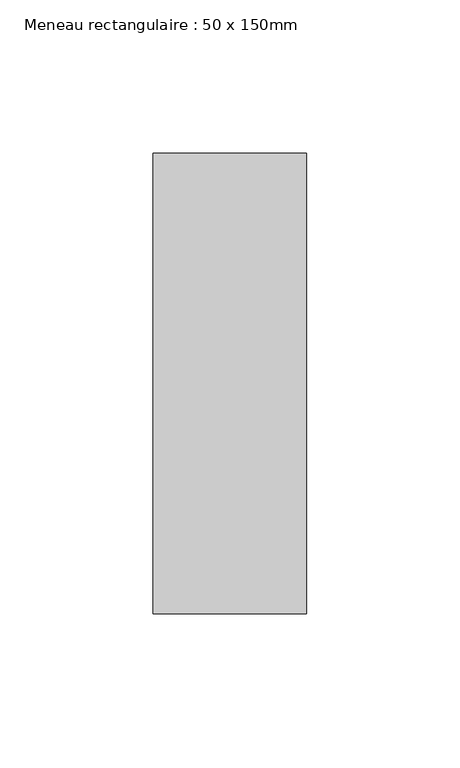
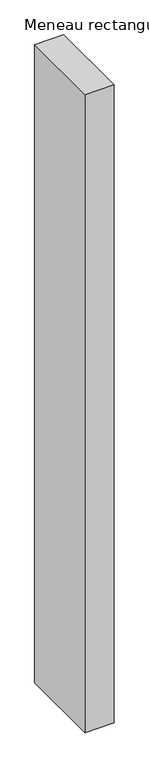
"""IFC4 building model written with IfcOpenShell, lengths in millimetres: member geometry, Meneau rectangulaire : 50 x 150mm."""

from ifc_helpers import new_model, si_unit, frame, origin, place, context, project, spatial, polyline, outline, extrude, source, transform, mapped, element, save


def meneau_rectangulaire_50_x_150mm_653d9bf3(model_context):
    return source(origin(), model_context, "Body", "SweptSolid", [
        extrude(outline(polyline([(0.0, 75.0), (0.0, -75.0), (-50.0, -75.0), (-50.0, 75.0), (0.0, 75.0)])), frame((0.0, 0.0, -1162.2767875), z_axis=(0.0, 0.0, 1.0), x_axis=(1.0, 0.0, 0.0)), (0.0, 0.0, 1.0), 1162.2767875),
    ])


if __name__ == "__main__":
    model = new_model("IFC4")
    model_context = context("Model", 3, world=origin())
    ifc_project = project(units=[si_unit("LENGTHUNIT", "METRE", prefix="MILLI")], contexts=[model_context])
    site = spatial("IfcSite", under=ifc_project)
    building = spatial("IfcBuilding", under=site)
    placement = place(None, origin())
    meneau_rectangulaire_50_x_150mm_shape = meneau_rectangulaire_50_x_150mm_653d9bf3(model_context)
    element("IfcMember", 1, ObjectType="Meneau rectangulaire : 50 x 150mm", at=placement, inside=building, context=model_context, shape_type="MappedRepresentation", body=[
        mapped(meneau_rectangulaire_50_x_150mm_shape, transform((0.0, 0.0, 0.0), x_axis=(1.0, 0.0, 0.0), y_axis=(0.0, 1.0, 0.0), z_axis=(0.0, 0.0, 1.0))),
    ])
    save(model, "model.ifc")
